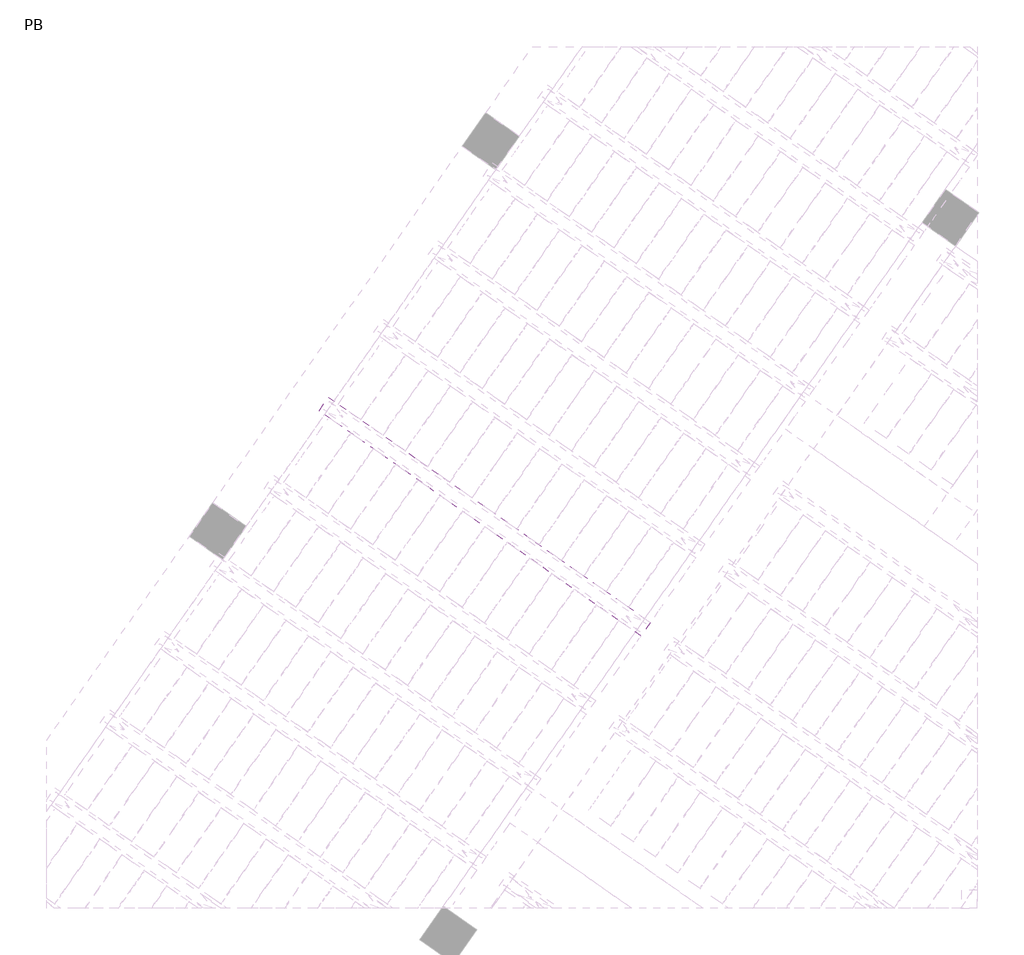
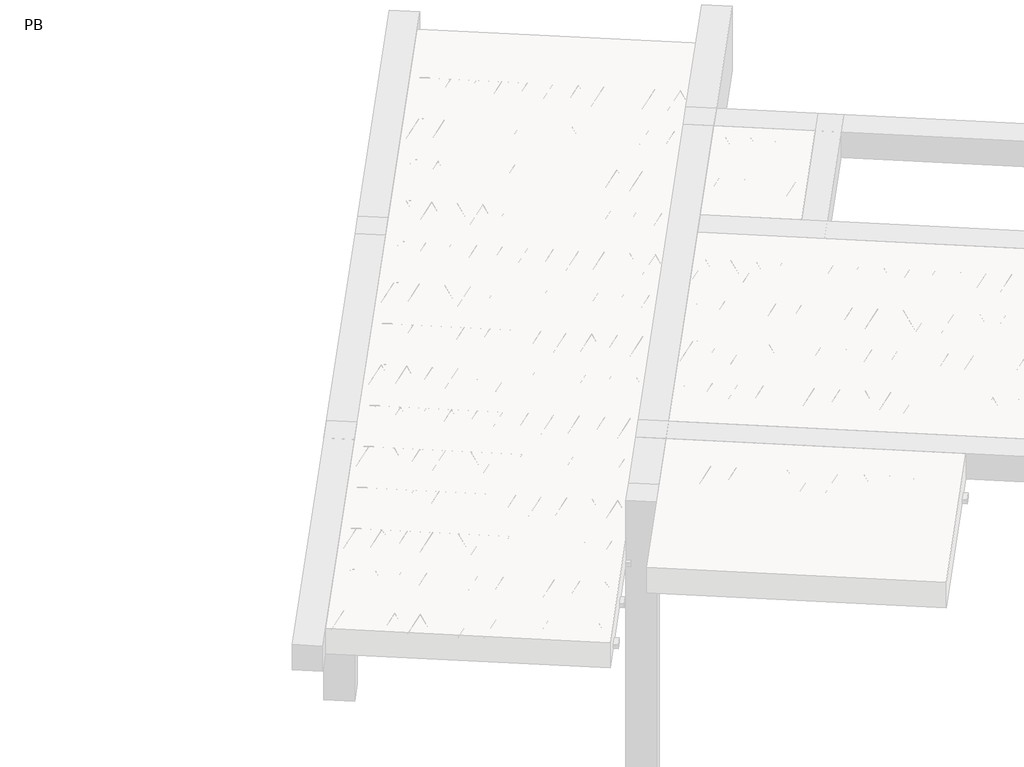
# One storey, part 30 of 56: 2 beams.
"""IFC4 building model written with IfcOpenShell, lengths in millimetres."""

from ifc_helpers import new_model, si_unit, point, frame, origin, origin_2d, place, context, project, spatial, polyline, circle_curve, trimmed, segment, composite_curve, outline, extrude, element, save

model = new_model("IFC4")

# Units and contexts
model_context = context("Model", 3, world=origin())
ifc_project = project(units=[si_unit("LENGTHUNIT", "METRE", prefix="MILLI")], contexts=[model_context])

# Site, building, storey
site = spatial("IfcSite", under=ifc_project)
building = spatial("IfcBuilding", under=site)
storey = spatial("IfcBuildingStorey", under=building, Name="PB", Elevation=95940.0)

# Beams
placement = place(None, origin())
element("IfcBeam", 1, at=placement, inside=storey, context=model_context, shape_type="SweptSolid", body=[
    extrude(outline(polyline([(1194.5168379, 6110.1422209), (1263.3460103, 6208.4404662), (3626.2455992, 4553.9203619), (3557.4164268, 4455.6221166), (1194.5168379, 6110.1422209)])), frame((0.0, 0.0, 98760.0), z_axis=(0.0, 0.0, 1.0), x_axis=(1.0, 0.0, 0.0)), (0.0, 0.0, 1.0), 50.0),
    extrude(outline(composite_curve([segment(trimmed(circle_curve(origin_2d(), 2.5), [point((-2.5, 0.0))], [point((2.5, 0.0))], False, "CARTESIAN"), True, "CONTINUOUS"), segment(trimmed(circle_curve(origin_2d(), 2.5), [point((2.5, 0.0))], [point((-2.5, 0.0))], False, "CARTESIAN"), True, "CONTINUOUS")], self_intersect=False)), frame((3551.5226122, 4489.0476001, 98785.0), z_axis=(-0.8191520442696126, 0.5735764363787226, 0.0), x_axis=(0.5735764363787226, 0.8191520442696126, 0.0)), (0.0, 0.0, 1.0), 2836.567774),
    extrude(outline(composite_curve([segment(trimmed(circle_curve(origin_2d(), 2.5), [point((-2.5000001, 0.0))], [point((2.4999999, 0.0))], False, "CARTESIAN"), True, "CONTINUOUS"), segment(trimmed(circle_curve(origin_2d(), 2.5), [point((2.4999999, 0.0))], [point((-2.5000001, 0.0))], False, "CARTESIAN"), True, "CONTINUOUS")], self_intersect=False)), frame((3475.2788762, 4586.3819241, 99010.0), z_axis=(-0.8191520442696126, 0.5735764363787226, 0.0), x_axis=(0.5735764363787226, 0.8191520442696126, 0.0)), (0.0, 0.0, 1.0), 2600.0),
    extrude(outline(composite_curve([segment(trimmed(circle_curve(origin_2d(), 2.5), [point((-2.5000001, 1e-07))], [point((2.5, 1e-07))], False, "CARTESIAN"), True, "CONTINUOUS"), segment(trimmed(circle_curve(origin_2d(), 2.5), [point((2.5, 1e-07))], [point((-2.5000001, 1e-07))], False, "CARTESIAN"), True, "CONTINUOUS")], self_intersect=False)), frame((3516.0665278, 4513.8742177, 98785.0), z_axis=(-0.3145304735701046, 0.38933448886848654, 0.8657304643902053), x_axis=(0.7778747638402499, 0.6284193279813057, 0.0)), (0.0, 0.0, 1.0), 259.8961331),
    extrude(outline(composite_curve([segment(trimmed(circle_curve(origin_2d(), 2.5), [point((2.5, 0.0))], [point((-2.5, 0.0))], False, "CARTESIAN"), True, "CONTINUOUS"), segment(trimmed(circle_curve(origin_2d(), 2.5), [point((-2.5, 0.0))], [point((2.5, 0.0))], False, "CARTESIAN"), True, "CONTINUOUS")], self_intersect=False)), frame((3311.2785167, 4657.2683268, 98785.0), z_axis=(0.47343050384693375, -0.16240172737369005, 0.8657304643902051), x_axis=(-0.3244721671091268, -0.9458952440791246, 0.0)), (0.0, 0.0, 1.0), 259.8961331),
    extrude(outline(composite_curve([segment(trimmed(circle_curve(origin_2d(), 2.5), [point((-2.5, 0.0))], [point((2.5, 1e-07))], False, "CARTESIAN"), True, "CONTINUOUS"), segment(trimmed(circle_curve(origin_2d(), 2.5), [point((2.5, 1e-07))], [point((-2.5, 0.0))], False, "CARTESIAN"), True, "CONTINUOUS")], self_intersect=False)), frame((3311.2785167, 4657.2683268, 98785.0), z_axis=(-0.3145304735701046, 0.38933448886848654, 0.8657304643902053), x_axis=(0.7778747638402499, 0.6284193279813057, 0.0)), (0.0, 0.0, 1.0), 259.8961331),
    extrude(outline(composite_curve([segment(trimmed(circle_curve(origin_2d(), 2.5), [point((2.5, 0.0))], [point((-2.5, 1e-07))], False, "CARTESIAN"), True, "CONTINUOUS"), segment(trimmed(circle_curve(origin_2d(), 2.5), [point((-2.5, 1e-07))], [point((2.5, 0.0))], False, "CARTESIAN"), True, "CONTINUOUS")], self_intersect=False)), frame((3106.4905056, 4800.6624359, 98785.0), z_axis=(0.47343050384693375, -0.16240172737369005, 0.8657304643902051), x_axis=(-0.3244721671091268, -0.9458952440791246, 0.0)), (0.0, 0.0, 1.0), 259.8961331),
    extrude(outline(composite_curve([segment(trimmed(circle_curve(origin_2d(), 2.5), [point((-2.5, 0.0))], [point((2.5, 0.0))], False, "CARTESIAN"), True, "CONTINUOUS"), segment(trimmed(circle_curve(origin_2d(), 2.5), [point((2.5, 0.0))], [point((-2.5, 0.0))], False, "CARTESIAN"), True, "CONTINUOUS")], self_intersect=False)), frame((3106.4905056, 4800.6624359, 98785.0), z_axis=(-0.3145304735701046, 0.38933448886848654, 0.8657304643902053), x_axis=(0.7778747638402499, 0.6284193279813057, 0.0)), (0.0, 0.0, 1.0), 259.8961331),
    extrude(outline(composite_curve([segment(trimmed(circle_curve(origin_2d(), 2.5), [point((2.5, -1e-07))], [point((-2.5, 0.0))], False, "CARTESIAN"), True, "CONTINUOUS"), segment(trimmed(circle_curve(origin_2d(), 2.5), [point((-2.5, 0.0))], [point((2.5, -1e-07))], False, "CARTESIAN"), True, "CONTINUOUS")], self_intersect=False)), frame((2901.7024946, 4944.056545, 98785.0), z_axis=(0.47343050384693375, -0.16240172737369005, 0.8657304643902051), x_axis=(-0.3244721671091268, -0.9458952440791246, 0.0)), (0.0, 0.0, 1.0), 259.8961331),
    extrude(outline(composite_curve([segment(trimmed(circle_curve(origin_2d(), 2.5), [point((-2.5, 0.0))], [point((2.5, 0.0))], False, "CARTESIAN"), True, "CONTINUOUS"), segment(trimmed(circle_curve(origin_2d(), 2.5), [point((2.5, 0.0))], [point((-2.5, 0.0))], False, "CARTESIAN"), True, "CONTINUOUS")], self_intersect=False)), frame((2901.7024946, 4944.056545, 98785.0), z_axis=(-0.3145304735701046, 0.38933448886848654, 0.8657304643902053), x_axis=(0.7778747638402499, 0.6284193279813057, 0.0)), (0.0, 0.0, 1.0), 259.8961331),
    extrude(outline(composite_curve([segment(trimmed(circle_curve(origin_2d(), 2.5), [point((2.5, 0.0))], [point((-2.5, 0.0))], False, "CARTESIAN"), True, "CONTINUOUS"), segment(trimmed(circle_curve(origin_2d(), 2.5), [point((-2.5, 0.0))], [point((2.5, 0.0))], False, "CARTESIAN"), True, "CONTINUOUS")], self_intersect=False)), frame((2696.9144835, 5087.4506541, 98785.0), z_axis=(0.47343050384693375, -0.16240172737369005, 0.8657304643902051), x_axis=(-0.3244721671091268, -0.9458952440791246, 0.0)), (0.0, 0.0, 1.0), 259.8961331),
    extrude(outline(composite_curve([segment(trimmed(circle_curve(origin_2d(), 2.5), [point((-2.5, 0.0))], [point((2.5, 0.0))], False, "CARTESIAN"), True, "CONTINUOUS"), segment(trimmed(circle_curve(origin_2d(), 2.5), [point((2.5, 0.0))], [point((-2.5, 0.0))], False, "CARTESIAN"), True, "CONTINUOUS")], self_intersect=False)), frame((2696.9144834, 5087.4506542, 98785.0), z_axis=(-0.3145304735701046, 0.38933448886848654, 0.8657304643902053), x_axis=(0.7778747638402499, 0.6284193279813057, 0.0)), (0.0, 0.0, 1.0), 259.8961331),
    extrude(outline(composite_curve([segment(trimmed(circle_curve(origin_2d(), 2.5), [point((2.5, 0.0))], [point((-2.5, 1e-07))], False, "CARTESIAN"), True, "CONTINUOUS"), segment(trimmed(circle_curve(origin_2d(), 2.5), [point((-2.5, 1e-07))], [point((2.5, 0.0))], False, "CARTESIAN"), True, "CONTINUOUS")], self_intersect=False)), frame((2492.1264723, 5230.8447633, 98785.0), z_axis=(0.47343050384693375, -0.16240172737369005, 0.8657304643902051), x_axis=(-0.3244721671091268, -0.9458952440791246, 0.0)), (0.0, 0.0, 1.0), 259.8961331),
    extrude(outline(composite_curve([segment(trimmed(circle_curve(origin_2d(), 2.5), [point((-2.5, -1e-07))], [point((2.5000001, -1e-07))], False, "CARTESIAN"), True, "CONTINUOUS"), segment(trimmed(circle_curve(origin_2d(), 2.5), [point((2.5000001, -1e-07))], [point((-2.5, -1e-07))], False, "CARTESIAN"), True, "CONTINUOUS")], self_intersect=False)), frame((2492.1264723, 5230.8447633, 98785.0), z_axis=(-0.3145304735701046, 0.38933448886848654, 0.8657304643902053), x_axis=(0.7778747638402499, 0.6284193279813057, 0.0)), (0.0, 0.0, 1.0), 259.8961331),
    extrude(outline(composite_curve([segment(trimmed(circle_curve(origin_2d(), 2.5), [point((2.5, 0.0))], [point((-2.5, 0.0))], False, "CARTESIAN"), True, "CONTINUOUS"), segment(trimmed(circle_curve(origin_2d(), 2.5), [point((-2.5, 0.0))], [point((2.5, 0.0))], False, "CARTESIAN"), True, "CONTINUOUS")], self_intersect=False)), frame((2287.3384613, 5374.2388724, 98785.0), z_axis=(0.47343050384693375, -0.16240172737369005, 0.8657304643902051), x_axis=(-0.3244721671091268, -0.9458952440791246, 0.0)), (0.0, 0.0, 1.0), 259.8961331),
    extrude(outline(composite_curve([segment(trimmed(circle_curve(origin_2d(), 2.5), [point((-2.5, -1e-07))], [point((2.5, 0.0))], False, "CARTESIAN"), True, "CONTINUOUS"), segment(trimmed(circle_curve(origin_2d(), 2.5), [point((2.5, 0.0))], [point((-2.5, -1e-07))], False, "CARTESIAN"), True, "CONTINUOUS")], self_intersect=False)), frame((2287.3384613, 5374.2388724, 98785.0), z_axis=(-0.3145304735701046, 0.38933448886848654, 0.8657304643902053), x_axis=(0.7778747638402499, 0.6284193279813057, 0.0)), (0.0, 0.0, 1.0), 259.8961331),
    extrude(outline(composite_curve([segment(trimmed(circle_curve(origin_2d(), 2.5), [point((2.5000001, 0.0))], [point((-2.5, 0.0))], False, "CARTESIAN"), True, "CONTINUOUS"), segment(trimmed(circle_curve(origin_2d(), 2.5), [point((-2.5, 0.0))], [point((2.5000001, 0.0))], False, "CARTESIAN"), True, "CONTINUOUS")], self_intersect=False)), frame((2082.5504502, 5517.6329815, 98785.0), z_axis=(0.47343050384693375, -0.16240172737369005, 0.8657304643902051), x_axis=(-0.3244721671091268, -0.9458952440791246, 0.0)), (0.0, 0.0, 1.0), 259.8961331),
    extrude(outline(composite_curve([segment(trimmed(circle_curve(origin_2d(), 2.5), [point((-2.5, -1e-07))], [point((2.5, 0.0))], False, "CARTESIAN"), True, "CONTINUOUS"), segment(trimmed(circle_curve(origin_2d(), 2.5), [point((2.5, 0.0))], [point((-2.5, -1e-07))], False, "CARTESIAN"), True, "CONTINUOUS")], self_intersect=False)), frame((2082.5504502, 5517.6329815, 98785.0), z_axis=(-0.3145304735701046, 0.38933448886848654, 0.8657304643902053), x_axis=(0.7778747638402499, 0.6284193279813057, 0.0)), (0.0, 0.0, 1.0), 259.8961331),
    extrude(outline(composite_curve([segment(trimmed(circle_curve(origin_2d(), 2.5), [point((2.5000001, 0.0))], [point((-2.5, 1e-07))], False, "CARTESIAN"), True, "CONTINUOUS"), segment(trimmed(circle_curve(origin_2d(), 2.5), [point((-2.5, 1e-07))], [point((2.5000001, 0.0))], False, "CARTESIAN"), True, "CONTINUOUS")], self_intersect=False)), frame((1877.7624391, 5661.0270906, 98785.0), z_axis=(0.47343050384693375, -0.16240172737369005, 0.8657304643902051), x_axis=(-0.3244721671091268, -0.9458952440791246, 0.0)), (0.0, 0.0, 1.0), 259.8961331),
    extrude(outline(composite_curve([segment(trimmed(circle_curve(origin_2d(), 2.5), [point((-2.5, -1e-07))], [point((2.5000001, -1e-07))], False, "CARTESIAN"), True, "CONTINUOUS"), segment(trimmed(circle_curve(origin_2d(), 2.5), [point((2.5000001, -1e-07))], [point((-2.5, -1e-07))], False, "CARTESIAN"), True, "CONTINUOUS")], self_intersect=False)), frame((1877.7624391, 5661.0270906, 98785.0), z_axis=(-0.3145304735701046, 0.38933448886848654, 0.8657304643902053), x_axis=(0.7778747638402499, 0.6284193279813057, 0.0)), (0.0, 0.0, 1.0), 259.8961331),
    extrude(outline(composite_curve([segment(trimmed(circle_curve(origin_2d(), 2.5), [point((2.5, 0.0))], [point((-2.5000001, 0.0))], False, "CARTESIAN"), True, "CONTINUOUS"), segment(trimmed(circle_curve(origin_2d(), 2.5), [point((-2.5000001, 0.0))], [point((2.5, 0.0))], False, "CARTESIAN"), True, "CONTINUOUS")], self_intersect=False)), frame((1672.9744281, 5804.4211996, 98785.0), z_axis=(0.47343050384693375, -0.16240172737369005, 0.8657304643902051), x_axis=(-0.3244721671091268, -0.9458952440791246, 0.0)), (0.0, 0.0, 1.0), 259.8961331),
    extrude(outline(composite_curve([segment(trimmed(circle_curve(origin_2d(), 2.5), [point((-2.5, 0.0))], [point((2.5, 1e-07))], False, "CARTESIAN"), True, "CONTINUOUS"), segment(trimmed(circle_curve(origin_2d(), 2.5), [point((2.5, 1e-07))], [point((-2.5, 0.0))], False, "CARTESIAN"), True, "CONTINUOUS")], self_intersect=False)), frame((1672.9744281, 5804.4211996, 98785.0), z_axis=(-0.3145304735701046, 0.38933448886848654, 0.8657304643902053), x_axis=(0.7778747638402499, 0.6284193279813057, 0.0)), (0.0, 0.0, 1.0), 259.8961331),
    extrude(outline(composite_curve([segment(trimmed(circle_curve(origin_2d(), 2.5), [point((2.5, 0.0))], [point((-2.5000001, 0.0))], False, "CARTESIAN"), True, "CONTINUOUS"), segment(trimmed(circle_curve(origin_2d(), 2.5), [point((-2.5000001, 0.0))], [point((2.5, 0.0))], False, "CARTESIAN"), True, "CONTINUOUS")], self_intersect=False)), frame((1468.186417, 5947.8153087, 98785.0), z_axis=(0.47343050384693375, -0.16240172737369005, 0.8657304643902051), x_axis=(-0.3244721671091268, -0.9458952440791246, 0.0)), (0.0, 0.0, 1.0), 259.8961331),
    extrude(outline(composite_curve([segment(trimmed(circle_curve(origin_2d(), 2.5), [point((-2.5, 0.0))], [point((2.5, 1e-07))], False, "CARTESIAN"), True, "CONTINUOUS"), segment(trimmed(circle_curve(origin_2d(), 2.5), [point((2.5, 1e-07))], [point((-2.5, 0.0))], False, "CARTESIAN"), True, "CONTINUOUS")], self_intersect=False)), frame((1468.186417, 5947.8153087, 98785.0), z_axis=(-0.3145304735701046, 0.38933448886848654, 0.8657304643902053), x_axis=(0.7778747638402499, 0.6284193279813057, 0.0)), (0.0, 0.0, 1.0), 259.8961331),
    extrude(outline(composite_curve([segment(trimmed(circle_curve(origin_2d(), 2.5), [point((2.5, 0.0))], [point((-2.5, 1e-07))], False, "CARTESIAN"), True, "CONTINUOUS"), segment(trimmed(circle_curve(origin_2d(), 2.5), [point((-2.5, 1e-07))], [point((2.5, 0.0))], False, "CARTESIAN"), True, "CONTINUOUS")], self_intersect=False)), frame((1263.3984059, 6091.2094178, 98785.0), z_axis=(0.47343050384693375, -0.16240172737369005, 0.8657304643902051), x_axis=(-0.3244721671091268, -0.9458952440791246, 0.0)), (0.0, 0.0, 1.0), 259.8961331),
    extrude(outline(composite_curve([segment(trimmed(circle_curve(origin_2d(), 2.5), [point((-2.5, 0.0))], [point((2.5, 0.0))], False, "CARTESIAN"), True, "CONTINUOUS"), segment(trimmed(circle_curve(origin_2d(), 2.5), [point((2.5, 0.0))], [point((-2.5, 0.0))], False, "CARTESIAN"), True, "CONTINUOUS")], self_intersect=False)), frame((3592.8201156, 4548.0265473, 98785.0), z_axis=(-0.8191520442696126, 0.5735764363787226, 0.0), x_axis=(0.5735764363787226, 0.8191520442696126, 0.0)), (0.0, 0.0, 1.0), 2836.567774),
    extrude(outline(composite_curve([segment(trimmed(circle_curve(origin_2d(), 2.5), [point((-2.5, 0.0))], [point((2.5, 0.0))], False, "CARTESIAN"), True, "CONTINUOUS"), segment(trimmed(circle_curve(origin_2d(), 2.5), [point((2.5, 0.0))], [point((-2.5, 0.0))], False, "CARTESIAN"), True, "CONTINUOUS")], self_intersect=False)), frame((3557.3640312, 4572.8531649, 98785.0), z_axis=(-0.47343050384693375, 0.16240172737369005, 0.8657304643902051), x_axis=(0.3244721671091268, 0.9458952440791246, 0.0)), (0.0, 0.0, 1.0), 259.8961331),
    extrude(outline(composite_curve([segment(trimmed(circle_curve(origin_2d(), 2.5), [point((2.5, 0.0))], [point((-2.5, 0.0))], False, "CARTESIAN"), True, "CONTINUOUS"), segment(trimmed(circle_curve(origin_2d(), 2.5), [point((-2.5, 0.0))], [point((2.5, 0.0))], False, "CARTESIAN"), True, "CONTINUOUS")], self_intersect=False)), frame((3352.5760201, 4716.247274, 98785.0), z_axis=(0.3145304735701046, -0.38933448886848654, 0.8657304643902053), x_axis=(-0.7778747638402499, -0.6284193279813057, 0.0)), (0.0, 0.0, 1.0), 259.8961331),
    extrude(outline(composite_curve([segment(trimmed(circle_curve(origin_2d(), 2.5), [point((-2.5, 0.0))], [point((2.5, 0.0))], False, "CARTESIAN"), True, "CONTINUOUS"), segment(trimmed(circle_curve(origin_2d(), 2.5), [point((2.5, 0.0))], [point((-2.5, 0.0))], False, "CARTESIAN"), True, "CONTINUOUS")], self_intersect=False)), frame((3352.5760201, 4716.247274, 98785.0), z_axis=(-0.47343050384693375, 0.16240172737369005, 0.8657304643902051), x_axis=(0.3244721671091268, 0.9458952440791246, 0.0)), (0.0, 0.0, 1.0), 259.8961331),
    extrude(outline(composite_curve([segment(trimmed(circle_curve(origin_2d(), 2.5), [point((2.5000001, -1e-07))], [point((-2.5, 0.0))], False, "CARTESIAN"), True, "CONTINUOUS"), segment(trimmed(circle_curve(origin_2d(), 2.5), [point((-2.5, 0.0))], [point((2.5000001, -1e-07))], False, "CARTESIAN"), True, "CONTINUOUS")], self_intersect=False)), frame((3147.7880091, 4859.6413831, 98785.0), z_axis=(0.3145304735701046, -0.38933448886848654, 0.8657304643902053), x_axis=(-0.7778747638402499, -0.6284193279813057, 0.0)), (0.0, 0.0, 1.0), 259.8961331),
    extrude(outline(composite_curve([segment(trimmed(circle_curve(origin_2d(), 2.5), [point((-2.5, 1e-07))], [point((2.5, 0.0))], False, "CARTESIAN"), True, "CONTINUOUS"), segment(trimmed(circle_curve(origin_2d(), 2.5), [point((2.5, 0.0))], [point((-2.5, 1e-07))], False, "CARTESIAN"), True, "CONTINUOUS")], self_intersect=False)), frame((3147.7880091, 4859.6413831, 98785.0), z_axis=(-0.47343050384693375, 0.16240172737369005, 0.8657304643902051), x_axis=(0.3244721671091268, 0.9458952440791246, 0.0)), (0.0, 0.0, 1.0), 259.8961331),
    extrude(outline(composite_curve([segment(trimmed(circle_curve(origin_2d(), 2.5), [point((2.5, 0.0))], [point((-2.5, 0.0))], False, "CARTESIAN"), True, "CONTINUOUS"), segment(trimmed(circle_curve(origin_2d(), 2.5), [point((-2.5, 0.0))], [point((2.5, 0.0))], False, "CARTESIAN"), True, "CONTINUOUS")], self_intersect=False)), frame((2942.999998, 5003.0354922, 98785.0), z_axis=(0.3145304735701046, -0.38933448886848654, 0.8657304643902053), x_axis=(-0.7778747638402499, -0.6284193279813057, 0.0)), (0.0, 0.0, 1.0), 259.8961331),
    extrude(outline(composite_curve([segment(trimmed(circle_curve(origin_2d(), 2.5), [point((-2.5, 0.0))], [point((2.5, 0.0))], False, "CARTESIAN"), True, "CONTINUOUS"), segment(trimmed(circle_curve(origin_2d(), 2.5), [point((2.5, 0.0))], [point((-2.5, 0.0))], False, "CARTESIAN"), True, "CONTINUOUS")], self_intersect=False)), frame((2942.999998, 5003.0354922, 98785.0), z_axis=(-0.47343050384693375, 0.16240172737369005, 0.8657304643902051), x_axis=(0.3244721671091268, 0.9458952440791246, 0.0)), (0.0, 0.0, 1.0), 259.8961331),
    extrude(outline(composite_curve([segment(trimmed(circle_curve(origin_2d(), 2.5), [point((2.5, 0.0))], [point((-2.5, 0.0))], False, "CARTESIAN"), True, "CONTINUOUS"), segment(trimmed(circle_curve(origin_2d(), 2.5), [point((-2.5, 0.0))], [point((2.5, 0.0))], False, "CARTESIAN"), True, "CONTINUOUS")], self_intersect=False)), frame((2738.2119869, 5146.4296013, 98785.0), z_axis=(0.3145304735701046, -0.38933448886848654, 0.8657304643902053), x_axis=(-0.7778747638402499, -0.6284193279813057, 0.0)), (0.0, 0.0, 1.0), 259.8961331),
    extrude(outline(composite_curve([segment(trimmed(circle_curve(origin_2d(), 2.5), [point((-2.5, 0.0))], [point((2.5, -1e-07))], False, "CARTESIAN"), True, "CONTINUOUS"), segment(trimmed(circle_curve(origin_2d(), 2.5), [point((2.5, -1e-07))], [point((-2.5, 0.0))], False, "CARTESIAN"), True, "CONTINUOUS")], self_intersect=False)), frame((2738.2119868, 5146.4296014, 98785.0), z_axis=(-0.47343050384693375, 0.16240172737369005, 0.8657304643902051), x_axis=(0.3244721671091268, 0.9458952440791246, 0.0)), (0.0, 0.0, 1.0), 259.8961331),
    extrude(outline(composite_curve([segment(trimmed(circle_curve(origin_2d(), 2.5), [point((2.5, 1e-07))], [point((-2.5, 0.0))], False, "CARTESIAN"), True, "CONTINUOUS"), segment(trimmed(circle_curve(origin_2d(), 2.5), [point((-2.5, 0.0))], [point((2.5, 1e-07))], False, "CARTESIAN"), True, "CONTINUOUS")], self_intersect=False)), frame((2533.4239758, 5289.8237105, 98785.0), z_axis=(0.3145304735701046, -0.38933448886848654, 0.8657304643902053), x_axis=(-0.7778747638402499, -0.6284193279813057, 0.0)), (0.0, 0.0, 1.0), 259.8961331),
    extrude(outline(composite_curve([segment(trimmed(circle_curve(origin_2d(), 2.5), [point((-2.5000001, 0.0))], [point((2.5, 0.0))], False, "CARTESIAN"), True, "CONTINUOUS"), segment(trimmed(circle_curve(origin_2d(), 2.5), [point((2.5, 0.0))], [point((-2.5000001, 0.0))], False, "CARTESIAN"), True, "CONTINUOUS")], self_intersect=False)), frame((2533.4239758, 5289.8237105, 98785.0), z_axis=(-0.47343050384693375, 0.16240172737369005, 0.8657304643902051), x_axis=(0.3244721671091268, 0.9458952440791246, 0.0)), (0.0, 0.0, 1.0), 259.8961331),
    extrude(outline(composite_curve([segment(trimmed(circle_curve(origin_2d(), 2.5), [point((2.5, 0.0))], [point((-2.5, -1e-07))], False, "CARTESIAN"), True, "CONTINUOUS"), segment(trimmed(circle_curve(origin_2d(), 2.5), [point((-2.5, -1e-07))], [point((2.5, 0.0))], False, "CARTESIAN"), True, "CONTINUOUS")], self_intersect=False)), frame((2328.6359647, 5433.2178195, 98785.0), z_axis=(0.3145304735701046, -0.38933448886848654, 0.8657304643902053), x_axis=(-0.7778747638402499, -0.6284193279813057, 0.0)), (0.0, 0.0, 1.0), 259.8961331),
    extrude(outline(composite_curve([segment(trimmed(circle_curve(origin_2d(), 2.5), [point((-2.5000001, 0.0))], [point((2.5, 0.0))], False, "CARTESIAN"), True, "CONTINUOUS"), segment(trimmed(circle_curve(origin_2d(), 2.5), [point((2.5, 0.0))], [point((-2.5000001, 0.0))], False, "CARTESIAN"), True, "CONTINUOUS")], self_intersect=False)), frame((2328.6359647, 5433.2178196, 98785.0), z_axis=(-0.47343050384693375, 0.16240172737369005, 0.8657304643902051), x_axis=(0.3244721671091268, 0.9458952440791246, 0.0)), (0.0, 0.0, 1.0), 259.8961331),
    extrude(outline(composite_curve([segment(trimmed(circle_curve(origin_2d(), 2.5), [point((2.5, 0.0))], [point((-2.5, -1e-07))], False, "CARTESIAN"), True, "CONTINUOUS"), segment(trimmed(circle_curve(origin_2d(), 2.5), [point((-2.5, -1e-07))], [point((2.5, 0.0))], False, "CARTESIAN"), True, "CONTINUOUS")], self_intersect=False)), frame((2123.8479536, 5576.6119286, 98785.0), z_axis=(0.3145304735701046, -0.38933448886848654, 0.8657304643902053), x_axis=(-0.7778747638402499, -0.6284193279813057, 0.0)), (0.0, 0.0, 1.0), 259.8961331),
    extrude(outline(composite_curve([segment(trimmed(circle_curve(origin_2d(), 2.5), [point((-2.5, 0.0))], [point((2.5000001, 0.0))], False, "CARTESIAN"), True, "CONTINUOUS"), segment(trimmed(circle_curve(origin_2d(), 2.5), [point((2.5000001, 0.0))], [point((-2.5, 0.0))], False, "CARTESIAN"), True, "CONTINUOUS")], self_intersect=False)), frame((2123.8479536, 5576.6119286, 98785.0), z_axis=(-0.47343050384693375, 0.16240172737369005, 0.8657304643902051), x_axis=(0.3244721671091268, 0.9458952440791246, 0.0)), (0.0, 0.0, 1.0), 259.8961331),
    extrude(outline(composite_curve([segment(trimmed(circle_curve(origin_2d(), 2.5), [point((2.5, 0.0))], [point((-2.5, -1e-07))], False, "CARTESIAN"), True, "CONTINUOUS"), segment(trimmed(circle_curve(origin_2d(), 2.5), [point((-2.5, -1e-07))], [point((2.5, 0.0))], False, "CARTESIAN"), True, "CONTINUOUS")], self_intersect=False)), frame((1919.0599426, 5720.0060377, 98785.0), z_axis=(0.3145304735701046, -0.38933448886848654, 0.8657304643902053), x_axis=(-0.7778747638402499, -0.6284193279813057, 0.0)), (0.0, 0.0, 1.0), 259.8961331),
    extrude(outline(composite_curve([segment(trimmed(circle_curve(origin_2d(), 2.5), [point((-2.5, 1e-07))], [point((2.5000001, 0.0))], False, "CARTESIAN"), True, "CONTINUOUS"), segment(trimmed(circle_curve(origin_2d(), 2.5), [point((2.5000001, 0.0))], [point((-2.5, 1e-07))], False, "CARTESIAN"), True, "CONTINUOUS")], self_intersect=False)), frame((1919.0599426, 5720.0060377, 98785.0), z_axis=(-0.47343050384693375, 0.16240172737369005, 0.8657304643902051), x_axis=(0.3244721671091268, 0.9458952440791246, 0.0)), (0.0, 0.0, 1.0), 259.8961331),
    extrude(outline(composite_curve([segment(trimmed(circle_curve(origin_2d(), 2.5), [point((2.5, 0.0))], [point((-2.5, -1e-07))], False, "CARTESIAN"), True, "CONTINUOUS"), segment(trimmed(circle_curve(origin_2d(), 2.5), [point((-2.5, -1e-07))], [point((2.5, 0.0))], False, "CARTESIAN"), True, "CONTINUOUS")], self_intersect=False)), frame((1714.2719315, 5863.4001468, 98785.0), z_axis=(0.3145304735701046, -0.38933448886848654, 0.8657304643902053), x_axis=(-0.7778747638402499, -0.6284193279813057, 0.0)), (0.0, 0.0, 1.0), 259.8961331),
    extrude(outline(composite_curve([segment(trimmed(circle_curve(origin_2d(), 2.5), [point((-2.5, 0.0))], [point((2.5, 0.0))], False, "CARTESIAN"), True, "CONTINUOUS"), segment(trimmed(circle_curve(origin_2d(), 2.5), [point((2.5, 0.0))], [point((-2.5, 0.0))], False, "CARTESIAN"), True, "CONTINUOUS")], self_intersect=False)), frame((1714.2719315, 5863.4001468, 98785.0), z_axis=(-0.47343050384693375, 0.16240172737369005, 0.8657304643902051), x_axis=(0.3244721671091268, 0.9458952440791246, 0.0)), (0.0, 0.0, 1.0), 259.8961331),
    extrude(outline(composite_curve([segment(trimmed(circle_curve(origin_2d(), 2.5), [point((2.5, 0.0))], [point((-2.5, 0.0))], False, "CARTESIAN"), True, "CONTINUOUS"), segment(trimmed(circle_curve(origin_2d(), 2.5), [point((-2.5, 0.0))], [point((2.5, 0.0))], False, "CARTESIAN"), True, "CONTINUOUS")], self_intersect=False)), frame((1509.4839204, 6006.7942559, 98785.0), z_axis=(0.3145304735701046, -0.38933448886848654, 0.8657304643902053), x_axis=(-0.7778747638402499, -0.6284193279813057, 0.0)), (0.0, 0.0, 1.0), 259.8961331),
    extrude(outline(composite_curve([segment(trimmed(circle_curve(origin_2d(), 2.5), [point((-2.5, 0.0))], [point((2.5, 0.0))], False, "CARTESIAN"), True, "CONTINUOUS"), segment(trimmed(circle_curve(origin_2d(), 2.5), [point((2.5, 0.0))], [point((-2.5, 0.0))], False, "CARTESIAN"), True, "CONTINUOUS")], self_intersect=False)), frame((1509.4839204, 6006.7942559, 98785.0), z_axis=(-0.47343050384693375, 0.16240172737369005, 0.8657304643902051), x_axis=(0.3244721671091268, 0.9458952440791246, 0.0)), (0.0, 0.0, 1.0), 259.8961331),
    extrude(outline(composite_curve([segment(trimmed(circle_curve(origin_2d(), 2.5), [point((2.5, 0.0))], [point((-2.5, 0.0))], False, "CARTESIAN"), True, "CONTINUOUS"), segment(trimmed(circle_curve(origin_2d(), 2.5), [point((-2.5, 0.0))], [point((2.5, 0.0))], False, "CARTESIAN"), True, "CONTINUOUS")], self_intersect=False)), frame((1304.6959094, 6150.188365, 98785.0), z_axis=(0.3145304735701046, -0.38933448886848654, 0.8657304643902053), x_axis=(-0.7778747638402499, -0.6284193279813057, 0.0)), (0.0, 0.0, 1.0), 259.8961331),
])
element("IfcBeam", 2, at=placement, inside=storey, context=model_context, shape_type="SweptSolid", body=[
    extrude(outline(polyline([(1596.0492258, 6683.5284282), (1664.8783982, 6781.8266735), (4027.7491046, 5127.3267929), (3958.9199323, 5029.0285476), (1596.0492258, 6683.5284282)])), frame((0.0, 0.0, 98760.0), z_axis=(0.0, 0.0, 1.0), x_axis=(1.0, 0.0, 0.0)), (0.0, 0.0, 1.0), 50.0),
])

save(model, "model.ifc")
